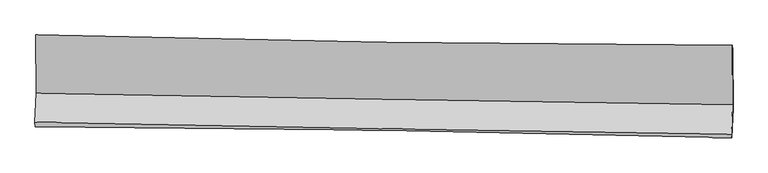
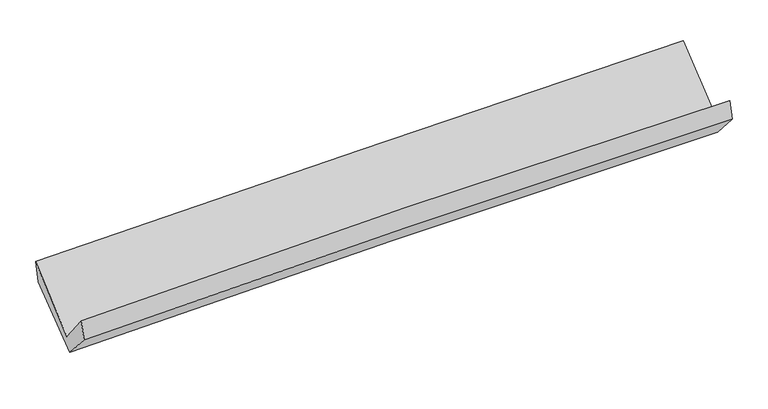
"""IFC4 building model written with IfcOpenShell, lengths in millimetres: proxy geometry."""

from ifc_helpers import new_model, si_unit, frame, origin, place, context, project, spatial, source, transform, mapped, element, save
from ifc_brep_helpers import plane_surface, spline_curve, spline_surface, advanced_brep


def generic_models_7c84125f(model_context):
    return source(origin(), model_context, "Body", "AdvancedBrep", [
        advanced_brep(
        [(-3029.0603985, -1164.0488009, 2158.6317068), (-3025.0438725, -1668.0404452, 1712.5457529), (3016.8073879, -1768.6114318, 1868.0974476), (3013.2804274, -1254.1046798, 2298.9650713), (-3035.6242118, -1921.2276806, 2027.3236835), (3006.474609, -2024.1992751, 2170.9796891), (-3032.2421905, -1958.4025756, 1862.4286455), (3010.0315994, -2055.1073638, 2002.0109716), (-3022.5306045, -1711.0845998, 1581.6169136), (3019.8711297, -1804.5311217, 1717.4997133), (-3025.3642832, -1202.9908775, 1979.3397665), (3016.7375698, -1291.3160225, 2130.8369392)],
        [
            (0, 1),
            (1, 2, spline_curve(3, [(-3025.0438725, -1668.0404452, 1712.5457529), (-2018.39200452, -1687.798118665, 1750.609363858), (-1011.577740922, -1706.05788108, 1782.603820494), (1002.372680441, -1739.581534486, 1834.454350503), (2009.508836774, -1754.845434643, 1854.310458583), (3016.8073879, -1768.6114318, 1868.0974476)], [4, 2, 4], [0.0, 9.916037407897685, 19.83204628135736])),
            (2, 3),
            (3, 0, spline_curve(3, [(3013.2804274, -1254.1046798, 2298.9650713), (2005.789321925, -1250.382903859, 2287.948218853), (998.516091151, -1241.017378173, 2270.745371333), (-1015.597518867, -1210.998784436, 2223.967618963), (-2022.437896534, -1190.34568357, 2194.392678353), (-3029.0603985, -1164.0488009, 2158.6317068)], [4, 2, 4], [0.0, 9.916008873459676, 19.83204628135736])),
            (1, 4),
            (4, 5, spline_curve(3, [(-3035.6242118, -1921.2276806, 2027.3236835), (-2029.190006757, -1942.031841474, 2074.128173462), (-1022.463944218, -1961.014897819, 2109.501753326), (991.568997418, -1995.338752396, 2157.387022576), (1998.875875409, -2010.679560669, 2169.898778247), (3006.474609, -2024.1992751, 2170.9796891)], [4, 2, 4], [0.0, 9.916220346805394, 19.832412158646353])),
            (5, 2),
            (4, 6),
            (6, 7, spline_curve(3, [(-3032.2421905, -1958.4025756, 1862.4286455), (-2025.201388353, -1963.232751506, 1891.97967208), (-1018.157446984, -1973.706591527, 1918.387058322), (995.9338165, -2005.941553093, 1964.914481934), (2002.981138412, -2027.702642683, 1985.034537966), (3010.0315994, -2055.1073638, 2002.0109716)], [4, 2, 4], [0.0, 9.916088393434448, 19.83214825228417])),
            (7, 5),
            (6, 8),
            (8, 9, spline_curve(3, [(-3022.5306045, -1711.0845998, 1581.6169136), (-2015.51237316, -1716.489571988, 1611.820579944), (-1008.469055304, -1726.97928661, 1638.245990624), (1005.664856559, -1758.128156372, 1683.540235607), (2012.755449653, -1778.787282477, 1702.409091431), (3019.8711297, -1804.5311217, 1717.4997133)], [4, 2, 4], [0.0, 9.915985252302896, 19.831941970317864])),
            (9, 7),
            (8, 10),
            (10, 11, spline_curve(3, [(-3025.3642832, -1202.9908775, 1979.3397665), (-2018.453810418, -1212.743769938, 2011.786512104), (-1011.489361624, -1224.980659283, 2040.634662188), (1002.544589623, -1254.422388556, 2091.133699354), (2009.614091976, -1271.627214504, 2112.784606435), (3016.7375698, -1291.3160225, 2130.8369392)], [4, 2, 4], [0.0, 9.915928817351636, 19.831829100577743])),
            (11, 9),
            (10, 0),
            (3, 11),
        ],
        [
            spline_surface(3, 3, [[(-3029.0603985, -1164.0488009, 2158.6317068), (-2022.437896664, -1190.345683721, 2194.392678197), (-1015.597518809, -1210.998784396, 2223.967618864), (998.516091093, -1241.017378213, 2270.745371432), (2005.789321842, -1250.382903841, 2287.948218926), (3013.2804274, -1254.1046798, 2298.9650713)], [(-3027.721556488, -1332.04601566, 2009.936388836), (-2021.089265918, -1356.163162063, 2046.464906748), (-1014.257592786, -1376.018483264, 2076.846352731), (999.80162084, -1407.205430341, 2125.315031094), (2007.02916014, -1418.53708075, 2143.402298845), (3014.456080901, -1425.60693048, 2155.342530052)], [(-3026.382714512, -1500.04323044, 1861.241070864), (-2019.740635209, -1521.980640424, 1898.537135291), (-1012.9176668, -1541.038182116, 1929.725086654), (1001.087150549, -1573.393482454, 1979.884690814), (2008.268998435, -1586.691257618, 1998.856378809), (3015.631734399, -1597.10918112, 2011.719988848)], [(-3025.0438725, -1668.0404452, 1712.5457529), (-2018.392004463, -1687.798118766, 1750.609363843), (-1011.577740777, -1706.057880984, 1782.603820521), (1002.372680296, -1739.581534582, 1834.454350476), (2009.508836733, -1754.845434527, 1854.310458729), (3016.8073879, -1768.6114318, 1868.0974476)]], [4, 4], [4, 2, 4], [0.0, 2.17479548800595], [0.0, 9.916037407897685, 19.83204628135736]),
            spline_surface(3, 3, [[(-3025.0438725, -1668.0404452, 1712.5457529), (-2018.392004463, -1687.798118766, 1750.609363843), (-1011.577740777, -1706.057880984, 1782.603820521), (1002.372680296, -1739.581534582, 1834.454350476), (2009.508836733, -1754.845434527, 1854.310458729), (3016.8073879, -1768.6114318, 1868.0974476)], [(-3028.570652259, -1752.436190326, 1817.47172976), (-2021.991338583, -1772.542693015, 1858.448967085), (-1015.206475328, -1791.043553289, 1891.569798099), (998.771452699, -1824.833940478, 1942.098574537), (2005.964516274, -1840.123476577, 1959.506565221), (3013.363128259, -1853.807379558, 1969.058194764)], [(-3032.097432041, -1836.831935474, 1922.39770664), (-2025.590672725, -1857.287267288, 1966.288570347), (-1018.835209816, -1876.029225617, 2000.535775672), (995.170225165, -1910.086346397, 2049.742798592), (2002.420195838, -1925.401518655, 2064.70267172), (3009.918868641, -1939.003327342, 2070.018941936)], [(-3035.6242118, -1921.2276806, 2027.3236835), (-2029.190006845, -1942.031841538, 2074.128173589), (-1022.463944368, -1961.014897922, 2109.50175325), (991.568997568, -1995.338752292, 2157.387022652), (1998.875875379, -2010.679560706, 2169.898778213), (3006.474609, -2024.1992751, 2170.9796891)]], [4, 4], [4, 2, 4], [0.0, 1.3562804315377754], [0.0, 9.916220346805394, 19.832412158646353]),
            spline_surface(3, 3, [[(-3035.6242118, -1921.2276806, 2027.3236835), (-2029.190006845, -1942.031841538, 2074.128173589), (-1022.463944368, -1961.014897922, 2109.50175325), (991.568997568, -1995.338752292, 2157.387022652), (1998.875875379, -2010.679560706, 2169.898778213), (3006.474609, -2024.1992751, 2170.9796891)], [(-3034.496871373, -1933.619312293, 1972.358670829), (-2027.860467331, -1949.098811508, 2013.412006424), (-1021.028445187, -1965.245462404, 2045.796854887), (993.023937213, -1998.873019269, 2093.229509129), (2000.244296376, -2016.353921345, 2108.277364831), (3007.660272482, -2034.501971316, 2114.656783256)], [(-3033.369530927, -1946.010943907, 1917.393658171), (-2026.530927798, -1956.165781398, 1952.695839273), (-1019.592946087, -1969.476026902, 1982.09195653), (994.478876778, -2002.407286261, 2029.071995613), (2001.612717326, -2022.028282036, 2046.655951482), (3008.845935918, -2044.804667584, 2058.333877444)], [(-3032.2421905, -1958.4025756, 1862.4286455), (-2025.201388284, -1963.232751368, 1891.979672109), (-1018.157446906, -1973.706591383, 1918.387058166), (995.933816423, -2005.941553237, 1964.91448209), (2002.981138323, -2027.702642675, 1985.0345381), (3010.0315994, -2055.1073638, 2002.0109716)]], [4, 4], [4, 2, 4], [0.0, 0.6305638354022813], [0.0, 9.916088393434448, 19.83214825228417]),
            spline_surface(3, 3, [[(-3032.2421905, -1958.4025756, 1862.4286455), (-2025.201388284, -1963.232751368, 1891.979672109), (-1018.157446906, -1973.706591383, 1918.387058166), (995.933816423, -2005.941553237, 1964.91448209), (2002.981138323, -2027.702642675, 1985.0345381), (3010.0315994, -2055.1073638, 2002.0109716)], [(-3029.004995178, -1875.963250304, 1768.824734875), (-2021.971716588, -1880.985024841, 1798.593308074), (-1014.927982998, -1891.46415645, 1825.006702353), (999.177496409, -1923.337087657, 1871.123066578), (2006.239242134, -1944.730855928, 1890.826055884), (3013.311442831, -1971.581949782, 1907.17388553)], [(-3025.767799822, -1793.523925096, 1675.220824225), (-2018.742044858, -1798.737298402, 1705.206944013), (-1011.698519063, -1809.221721468, 1731.626346515), (1002.421176423, -1840.732622029, 1777.33165104), (2009.497345952, -1861.759069135, 1796.617573579), (3016.591286269, -1888.056535718, 1812.33679937)], [(-3022.5306045, -1711.0845998, 1581.6169136), (-2015.512373162, -1716.489571876, 1611.820579978), (-1008.469055154, -1726.979286534, 1638.245990702), (1005.664856409, -1758.128156449, 1683.540235528), (2012.755449763, -1778.787282388, 1702.409091363), (3019.8711297, -1804.5311217, 1717.4997133)]], [4, 4], [4, 2, 4], [0.0, 1.2278486440753094], [0.0, 9.915985252302896, 19.831941970317864]),
            spline_surface(3, 3, [[(-3022.5306045, -1711.0845998, 1581.6169136), (-2015.512373162, -1716.489571876, 1611.820579978), (-1008.469055154, -1726.979286534, 1638.245990702), (1005.664856409, -1758.128156449, 1683.540235528), (2012.755449763, -1778.787282388, 1702.409091363), (3019.8711297, -1804.5311217, 1717.4997133)], [(-3023.475164059, -1541.7200257, 1714.191197886), (-2016.492852212, -1548.574304618, 1745.142557356), (-1009.475823982, -1559.646410776, 1772.37554792), (1004.624767503, -1590.226233825, 1819.404723429), (2011.7083305, -1609.733926389, 1839.200929761), (3018.826609738, -1633.459421971, 1855.2787886)], [(-3024.419723641, -1372.3554516, 1846.765482214), (-2017.473331284, -1380.659037361, 1878.464534774), (-1010.482592837, -1392.313535018, 1906.505105116), (1003.584678569, -1422.324311202, 1955.269211307), (2010.661211223, -1440.680570377, 1975.992768158), (3017.782089762, -1462.387722229, 1993.0578639)], [(-3025.3642832, -1202.9908775, 1979.3397665), (-2018.453810335, -1212.743770103, 2011.786512151), (-1011.489361664, -1224.980659261, 2040.634662334), (1002.544589663, -1254.422388579, 2091.133699208), (2009.614091959, -1271.627214377, 2112.784606556), (3016.7375698, -1291.3160225, 2130.8369392)]], [4, 4], [4, 2, 4], [0.0, 2.1183342210392624], [0.0, 9.915928817351636, 19.831829100577743]),
            spline_surface(3, 3, [[(-3025.3642832, -1202.9908775, 1979.3397665), (-2018.453810335, -1212.743770103, 2011.786512151), (-1011.489361664, -1224.980659261, 2040.634662334), (1002.544589663, -1254.422388579, 2091.133699208), (2009.614091959, -1271.627214377, 2112.784606556), (3016.7375698, -1291.3160225, 2130.8369392)], [(-3026.596321643, -1190.010185317, 2039.103746613), (-2019.781839121, -1205.277741326, 2072.65523418), (-1012.858747398, -1220.320034297, 2101.745647848), (1001.201756788, -1249.954051782, 2151.00425662), (2008.339168575, -1264.545777525, 2171.172477344), (3015.585188989, -1278.912241594, 2186.879649898)], [(-3027.828360057, -1177.029493083, 2098.867726687), (-2021.109867877, -1197.811712498, 2133.523956169), (-1014.228133075, -1215.659409359, 2162.85663335), (999.858923969, -1245.48571501, 2210.87481402), (2007.064245226, -1257.464340693, 2229.560348138), (3014.432808211, -1266.508460706, 2242.922360602)], [(-3029.0603985, -1164.0488009, 2158.6317068), (-2022.437896664, -1190.345683721, 2194.392678197), (-1015.597518809, -1210.998784396, 2223.967618864), (998.516091093, -1241.017378213, 2270.745371432), (2005.789321842, -1250.382903841, 2287.948218926), (3013.2804274, -1254.1046798, 2298.9650713)]], [4, 4], [4, 2, 4], [0.0, 0.597223394415245], [0.0, 9.91589258034328, 19.831756626665307]),
            plane_surface(frame((3013.8671206, -1699.6449825, 2031.3983054), z_axis=(0.9996459735135357, -0.012718509517641946, 0.023370219379052766), x_axis=(-0.004755207534364871, 0.7788088930420987, 0.6272432511552802))),
            plane_surface(frame((-3028.3109268, -1604.2991632, 1886.9810782), z_axis=(-0.9996459735135428, 0.012718509517315757, -0.023370219378934142), x_axis=(0.020141272185884334, -0.21220738348610674, -0.9770170702442791))),
        ],
        [
            (0, [[1, 2, 3, 4]]),
            (1, [[5, 6, 7, -2]]),
            (2, [[8, 9, 10, -6]]),
            (3, [[11, 12, 13, -9]]),
            (4, [[14, 15, 16, -12]]),
            (5, [[17, -4, 18, -15]]),
            (6, [[-16, -18, -3, -7, -10, -13]]),
            (7, [[-17, -14, -11, -8, -5, -1]]),
        ],
    ),
    ])


if __name__ == "__main__":
    model = new_model("IFC4")
    model_context = context("Model", 3, world=origin())
    ifc_project = project(units=[si_unit("LENGTHUNIT", "METRE", prefix="MILLI")], contexts=[model_context])
    site = spatial("IfcSite", under=ifc_project)
    building = spatial("IfcBuilding", under=site)
    placement = place(None, origin())
    generic_models_shape = generic_models_7c84125f(model_context)
    element("IfcBuildingElementProxy", 1, Name="Generic Models", at=placement, inside=building, context=model_context, shape_type="MappedRepresentation", body=[
        mapped(generic_models_shape, transform((0.0, 0.0, 0.0), x_axis=(1.0, 0.0, 0.0), y_axis=(0.0, 1.0, 0.0), z_axis=(0.0, 0.0, 1.0))),
    ])
    save(model, "model.ifc")
